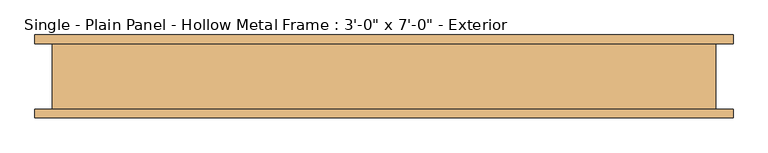
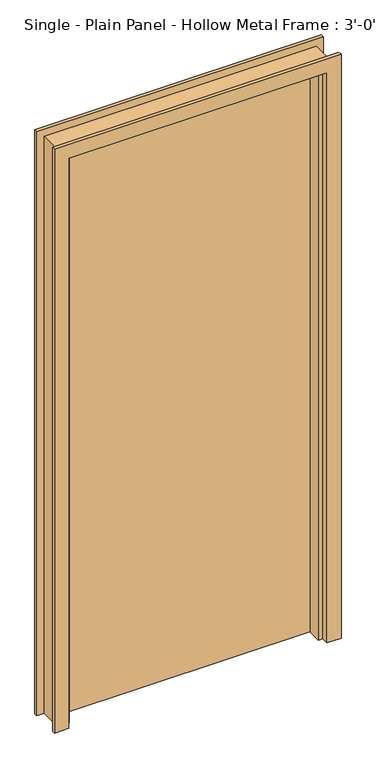
"""IFC4 building model written with IfcOpenShell, lengths in millimetres: door geometry."""

from ifc_helpers import new_model, si_unit, origin, origin_with_axes, place, context, project, spatial, polyline, outline, extrude, faceted_brep, source, transform, mapped, element, save


def door_8fddfcd1(model_context):
    return source(origin(), model_context, "Body", "SolidModel", [
        extrude(outline(polyline([(457.2, 15.875), (-457.2, 15.875), (-457.2, 60.325), (457.2, 60.325), (457.2, 15.875)])), origin_with_axes(), (0.0, 0.0, 1.0), 2133.6),
        faceted_brep([(508.0, -47.625, 0.0), (508.0, -60.325, 0.0), (457.2, -60.325, 0.0), (457.2, -34.925, 0.0), (441.325, -34.925, 0.0), (441.325, 15.875, 0.0), (457.2, 15.875, 0.0), (457.2, 60.325, 0.0), (508.0, 60.325, 0.0), (508.0, 47.625, 0.0), (482.6, 47.625, 0.0), (482.6, -47.625, 0.0), (508.0, -47.625, 2184.4), (508.0, -60.325, 2184.4), (-508.0, -60.325, 2184.4), (-508.0, -60.325, 0.0), (-457.2, -60.325, 0.0), (-457.2, -60.325, 2133.6), (457.2, -60.325, 2133.6), (457.2, -34.925, 2133.6), (-457.2, -34.925, 2133.6), (-457.2, -34.925, 0.0), (-441.325, -34.925, 0.0), (-441.325, -34.925, 2117.725), (441.325, -34.925, 2117.725), (441.325, 15.875, 2117.725), (-441.325, 15.875, 2117.725), (-441.325, 15.875, 0.0), (-457.2, 15.875, 0.0), (-457.2, 15.875, 2133.6), (457.2, 15.875, 2133.6), (457.2, 60.325, 2133.6), (-457.2, 60.325, 2133.6), (-457.2, 60.325, 0.0), (-508.0, 60.325, 0.0), (-508.0, 60.325, 2184.4), (508.0, 60.325, 2184.4), (508.0, 47.625, 2184.4), (-508.0, 47.625, 2184.4), (-508.0, 47.625, 0.0), (-482.6, 47.625, 0.0), (-482.6, 47.625, 2159.0), (482.6, 47.625, 2159.0), (482.6, -47.625, 2159.0), (-482.6, -47.625, 2159.0), (-482.6, -47.625, 0.0), (-508.0, -47.625, 0.0), (-508.0, -47.625, 2184.4)], [[[0, 1, 2, 3, 4, 5, 6, 7, 8, 9, 10, 11]], [[1, 0, 12, 13]], [[2, 1, 13, 14, 15, 16, 17, 18]], [[3, 2, 18, 19]], [[4, 3, 19, 20, 21, 22, 23, 24]], [[5, 4, 24, 25]], [[6, 5, 25, 26, 27, 28, 29, 30]], [[7, 6, 30, 31]], [[8, 7, 31, 32, 33, 34, 35, 36]], [[9, 8, 36, 37]], [[10, 9, 37, 38, 39, 40, 41, 42]], [[11, 10, 42, 43]], [[0, 11, 43, 44, 45, 46, 47, 12]], [[14, 47, 46, 15]], [[46, 45, 40, 39, 34, 33, 28, 27, 22, 21, 16, 15]], [[20, 17, 16, 21]], [[26, 23, 22, 27]], [[32, 29, 28, 33]], [[38, 35, 34, 39]], [[44, 41, 40, 45]], [[13, 12, 47, 14]], [[19, 18, 17, 20]], [[25, 24, 23, 26]], [[31, 30, 29, 32]], [[37, 36, 35, 38]], [[43, 42, 41, 44]]]),
    ])


if __name__ == "__main__":
    model = new_model("IFC4")
    model_context = context("Model", 3, world=origin())
    ifc_project = project(units=[si_unit("LENGTHUNIT", "METRE", prefix="MILLI")], contexts=[model_context])
    site = spatial("IfcSite", under=ifc_project)
    building = spatial("IfcBuilding", under=site)
    placement = place(None, origin())
    door_shape = door_8fddfcd1(model_context)
    element("IfcDoor", 1, ObjectType="Single - Plain Panel - Hollow Metal Frame : 3'-0\" x 7'-0\" - Exterior", at=placement, inside=building, context=model_context, shape_type="MappedRepresentation", body=[
        mapped(door_shape, transform((0.0, 0.0, 0.0), x_axis=(1.0, 0.0, 0.0), y_axis=(0.0, 1.0, 0.0), z_axis=(0.0, 0.0, 1.0))),
    ])
    save(model, "model.ifc")
